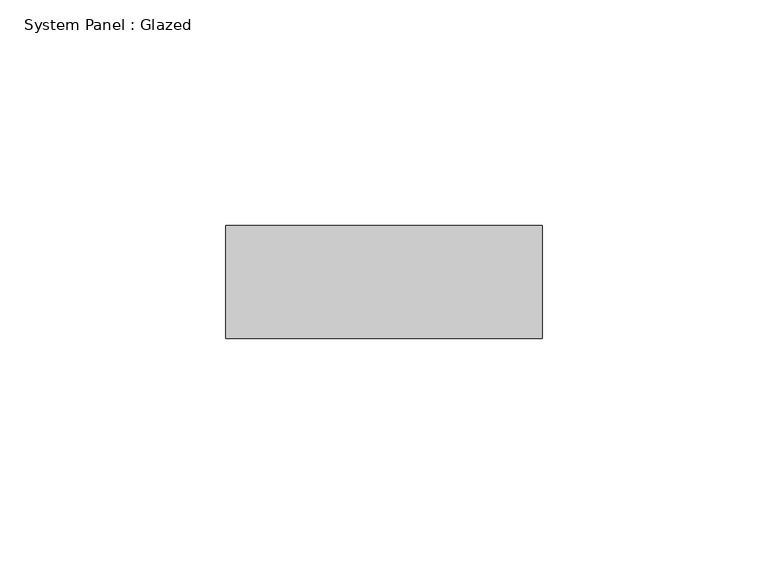
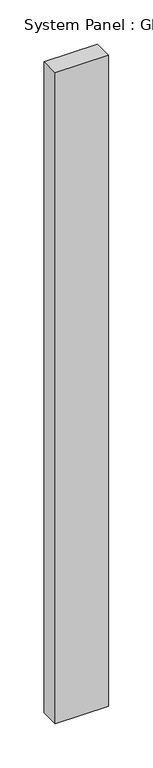
"""IFC4 building model written with IfcOpenShell, lengths in millimetres: plate geometry, System Panel : Glazed."""

from ifc_helpers import new_model, si_unit, origin, origin_with_axes, place, context, project, spatial, polyline, outline, extrude, source, transform, mapped, element, save


def system_panel_glazed_e7b4f39a(model_context):
    return source(origin(), model_context, "Body", "SweptSolid", [
        extrude(outline(polyline([(35.0, -49.5), (-35.0, -49.5), (-35.0, -24.5), (35.0, -24.5), (35.0, -49.5)])), origin_with_axes(), (0.0, 0.0, 1.0), 899.0),
    ])


if __name__ == "__main__":
    model = new_model("IFC4")
    model_context = context("Model", 3, world=origin())
    ifc_project = project(units=[si_unit("LENGTHUNIT", "METRE", prefix="MILLI")], contexts=[model_context])
    site = spatial("IfcSite", under=ifc_project)
    building = spatial("IfcBuilding", under=site)
    placement = place(None, origin())
    system_panel_glazed_shape = system_panel_glazed_e7b4f39a(model_context)
    element("IfcPlate", 1, ObjectType="System Panel : Glazed", at=placement, inside=building, context=model_context, shape_type="MappedRepresentation", body=[
        mapped(system_panel_glazed_shape, transform((0.0, 0.0, 0.0), x_axis=(1.0, 0.0, 0.0), y_axis=(0.0, 1.0, 0.0), z_axis=(0.0, 0.0, 1.0))),
    ])
    save(model, "model.ifc")
